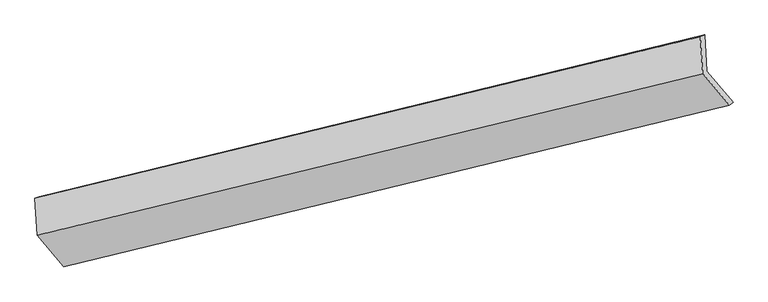
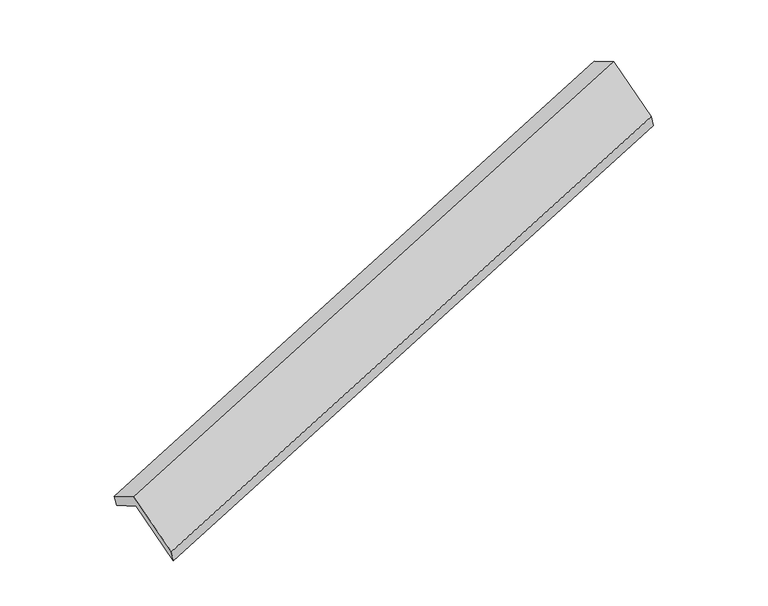
"""IFC4 building model written with IfcOpenShell, lengths in millimetres: proxy geometry."""

import ifcopenshell
import ifcopenshell.guid

model = None  # the IFC model being written
_history = None  # IfcOwnerHistory: only IFC2X3 demands one
_inside = {}  # id of a spatial element -> (the spatial element, [elements in it])
_under = {}  # id of a project, library or spatial element -> (it, [spatial elements below it])
_declared = {}  # id of a project -> (the project, [libraries it declares])
_typed = {}  # id of a type object -> (the type object, [elements of that type])
_made_of = {}  # id of a material, layer set ... -> (it, [elements and type objects made of it])


def new_model(schema):
    """Start an empty IFC model of exactly this schema.

    Asked for "IFC4X3", IfcOpenShell would pick the latest addendum, in which some entities
    have other attributes; the version numbers below select the first issue.
    IFC2X3 requires an IfcOwnerHistory on every rooted entity: one is made here for all.
    """
    global model, _history
    if schema == "IFC4X3":
        model = ifcopenshell.file(schema_version=(4, 3, 0, 0))
    else:
        model = ifcopenshell.file(schema=schema)
    _inside.clear()
    _under.clear()
    _declared.clear()
    _typed.clear()
    _made_of.clear()
    _history = None
    if model.schema == "IFC2X3":
        org = make("IfcOrganization", Name="unknown")
        user = make(
            "IfcPersonAndOrganization",
            ThePerson=make("IfcPerson", FamilyName="unknown"),
            TheOrganization=org,
        )
        app = make(
            "IfcApplication",
            ApplicationDeveloper=org,
            Version="unknown",
            ApplicationFullName="unknown",
            ApplicationIdentifier="unknown",
        )
        _history = make(
            "IfcOwnerHistory",
            OwningUser=user,
            OwningApplication=app,
            ChangeAction="ADDED",
            CreationDate=0,
        )
    return model


def make(cls, **values):
    """One entity of the class cls with the attributes given. An attribute that is None is left unset."""
    return model.create_entity(
        cls, **{name: value for name, value in values.items() if value is not None}
    )


def rooted(cls, **values):
    """An entity with a GlobalId (a new one), such as an element, a storey or a relation."""
    return make(cls, GlobalId=ifcopenshell.guid.new(), OwnerHistory=_history, **values)


def si_unit(unit_type, name, prefix=None):
    """IfcSIUnit, for example si_unit("LENGTHUNIT", "METRE", prefix="MILLI")."""
    return make("IfcSIUnit", UnitType=unit_type, Prefix=prefix, Name=name)


def assignment(units):
    """IfcUnitAssignment: the units of a project."""
    return None if units is None else make("IfcUnitAssignment", Units=units)


def point(xyz):
    """IfcCartesianPoint."""
    return None if xyz is None else make("IfcCartesianPoint", Coordinates=xyz)


def direction(xyz):
    """IfcDirection."""
    return None if xyz is None else make("IfcDirection", DirectionRatios=xyz)


def frame(location, z_axis=None, x_axis=None):
    """IfcAxis2Placement3D, a coordinate frame: its origin and axes. An axis left out is left unset."""
    return make(
        "IfcAxis2Placement3D",
        Location=point(location),
        Axis=direction(z_axis),
        RefDirection=direction(x_axis),
    )


def origin():
    """The frame at (0, 0, 0) with its axes left unset."""
    return frame((0.0, 0.0, 0.0))


def place(relative_to, where):
    """IfcLocalPlacement: puts the frame where relative to a parent placement (None: the world)."""
    return make(
        "IfcLocalPlacement", PlacementRelTo=relative_to, RelativePlacement=where
    )


def context(
    kind, dimensions, precision=None, world=None, true_north=None, identifier=None
):
    """IfcGeometricRepresentationContext, for example the 3D "Model" context."""
    return make(
        "IfcGeometricRepresentationContext",
        ContextIdentifier=identifier,
        ContextType=kind,
        CoordinateSpaceDimension=dimensions,
        Precision=precision,
        WorldCoordinateSystem=world,
        TrueNorth=true_north,
    )


def project(units=None, contexts=None):
    """IfcProject with its units and contexts."""
    return rooted(
        "IfcProject",
        Name="project",
        RepresentationContexts=contexts,
        UnitsInContext=assignment(units),
    )


def spatial(cls, under=None, at=None, **own):
    """A site, building, storey or space (cls), placed at a placement, below another one or the project."""
    s = rooted(cls, ObjectPlacement=at, **own)
    if under is not None:
        _under.setdefault(under.id(), (under, []))[1].append(s)
    return s


def faces_of(points, faces, orient=None, outer=None):
    """IfcFace entities. A face is a list of loops; a loop is a list of indices into points, from 0.

    orient and outer hold one flag for each loop. By default every Orientation is true, the
    first loop of a face is its IfcFaceOuterBound and the others are IfcFaceBound.
    """
    made = []
    for i, loops in enumerate(faces):
        bounds = []
        for j, loop in enumerate(loops):
            is_outer = j == 0 if outer is None else outer[i][j]
            bounds.append(
                make(
                    "IfcFaceOuterBound" if is_outer else "IfcFaceBound",
                    Bound=make("IfcPolyLoop", Polygon=[points[k] for k in loop]),
                    Orientation=True if orient is None else orient[i][j],
                )
            )
        made.append(make("IfcFace", Bounds=bounds))
    return made


def faceted_brep(points, faces, orient=None, outer=None, voids=None):
    """IfcFacetedBrep: a solid bounded by flat faces; with voids (closed shells), ...WithVoids."""
    shared = [point(p) for p in points]
    hull = make("IfcClosedShell", CfsFaces=faces_of(shared, faces, orient, outer))
    if voids is None:
        return make("IfcFacetedBrep", Outer=hull)
    return make(
        "IfcFacetedBrepWithVoids",
        Outer=hull,
        Voids=[
            make(cls, CfsFaces=faces_of(shared, fs, o, b)) for cls, fs, o, b in voids
        ],
    )


def shape(context_of_items, identifier, shape_type, items):
    """IfcShapeRepresentation: the items that make up one representation, for example the "Body"."""
    return make(
        "IfcShapeRepresentation",
        ContextOfItems=context_of_items,
        RepresentationIdentifier=identifier,
        RepresentationType=shape_type,
        Items=items,
    )


def source(mapping_origin, context_of_items, identifier, shape_type, items):
    """IfcRepresentationMap: a shape defined once, which mapped items show again and again."""
    return make(
        "IfcRepresentationMap",
        MappingOrigin=mapping_origin,
        MappedRepresentation=shape(context_of_items, identifier, shape_type, items),
    )


def transform(
    local_origin,
    x_axis=None,
    y_axis=None,
    z_axis=None,
    scale=None,
    scale2=None,
    scale3=None,
    uniform=True,
):
    """IfcCartesianTransformationOperator3D, or its non-uniform kind. x_axis, y_axis, z_axis: its Axis1, 2, 3."""
    if uniform:
        return make(
            "IfcCartesianTransformationOperator3D",
            Axis1=direction(x_axis),
            Axis2=direction(y_axis),
            LocalOrigin=point(local_origin),
            Scale=scale,
            Axis3=direction(z_axis),
        )
    return make(
        "IfcCartesianTransformationOperator3DnonUniform",
        Axis1=direction(x_axis),
        Axis2=direction(y_axis),
        LocalOrigin=point(local_origin),
        Scale=scale,
        Axis3=direction(z_axis),
        Scale2=scale2,
        Scale3=scale3,
    )


def mapped(mapping_source, mapping_target):
    """IfcMappedItem: shows the shape of a source again, moved by a transform."""
    return make(
        "IfcMappedItem", MappingSource=mapping_source, MappingTarget=mapping_target
    )


def made_of(thing, what):
    """Note that an element or type object is made of a material, layer set ...; save() writes the relation."""
    if what is not None:
        _made_of.setdefault(what.id(), (what, []))[1].append(thing)
    return thing


def element(
    cls,
    number,
    at=None,
    inside=None,
    cuts=None,
    type_object=None,
    material=None,
    context=None,
    identifier="Body",
    shape_type=None,
    held_by="IfcProductDefinitionShape",
    body=None,
    shapes=None,
    **own,
):
    """One element of the class cls, such as IfcWall. Its Tag is "e" and its number.

    at: its placement. inside: the storey or other place that contains it. cuts: it is an
    opening in that element (IfcRelVoidsElement). A single representation is given by context,
    identifier, shape_type and body (its items); several are given by shapes. held_by: the class
    of the entity that holds the representations. save() writes the other relations.
    """
    e = rooted(cls, Tag="e%d" % number, ObjectPlacement=at, **own)
    if body is not None:
        shapes = [shape(context, identifier, shape_type, body)]
    if shapes is not None:
        e.Representation = make(held_by, Representations=shapes)
    if inside is not None:
        _inside.setdefault(inside.id(), (inside, []))[1].append(e)
    if cuts is not None:
        rooted(
            "IfcRelVoidsElement", RelatingBuildingElement=cuts, RelatedOpeningElement=e
        )
    if type_object is not None:
        _typed.setdefault(type_object.id(), (type_object, []))[1].append(e)
    return made_of(e, material)


def aggregate(whole, parts):
    """IfcRelAggregates: a whole, such as a stair, and the parts it consists of."""
    return rooted("IfcRelAggregates", RelatingObject=whole, RelatedObjects=parts)


def save(model, path):
    """Write the relations noted so far, then the file.

    IfcRelAggregates (storeys below a building ...), IfcRelContainedInSpatialStructure (elements
    in a storey), IfcRelDefinesByType, IfcRelAssociatesMaterial and IfcRelDeclares: one each for
    every whole, place, type object, material and project.
    """
    for whole, parts in _under.values():
        aggregate(whole, parts)
    for where, things in _inside.values():
        rooted(
            "IfcRelContainedInSpatialStructure",
            RelatedElements=things,
            RelatingStructure=where,
        )
    for kind, things in _typed.values():
        rooted("IfcRelDefinesByType", RelatedObjects=things, RelatingType=kind)
    for what, things in _made_of.values():
        rooted("IfcRelAssociatesMaterial", RelatedObjects=things, RelatingMaterial=what)
    for by, libraries in _declared.values():
        rooted("IfcRelDeclares", RelatingContext=by, RelatedDefinitions=libraries)
    model.write(path)


def generic_models_ef5f855f(model_context):
    return source(origin(), model_context, "Body", "Brep", [
        faceted_brep([(-6063.3590792, -2274.6055133, 1080.2117289), (-6084.4887745, -1932.7104899, 888.7769254), (206.4724793, -403.8535218, 2945.3862363), (227.6021746, -745.7485452, 3136.8210397), (-6123.4221716, -1949.7650952, 1023.5001881), (167.5390822, -420.9081271, 3080.109499), (-6101.9257296, -2297.594368, 1218.2577129), (189.0355242, -768.7373999, 3274.8670237), (-5851.4954445, -2595.4231568, 658.7058739), (439.4658093, -1066.5661887, 2715.3151847), (-5814.308143, -2570.7938863, 523.7418542), (476.6531108, -1041.9369182, 2580.351165)], [[[0, 1, 2, 3]], [[1, 4, 5, 2]], [[4, 6, 7, 5]], [[6, 8, 9, 7]], [[8, 10, 11, 9]], [[10, 0, 3, 11]], [[9, 11, 3, 2, 5, 7]], [[0, 10, 8, 6, 4, 1]]]),
    ])


if __name__ == "__main__":
    model = new_model("IFC4")
    model_context = context("Model", 3, world=origin())
    ifc_project = project(units=[si_unit("LENGTHUNIT", "METRE", prefix="MILLI")], contexts=[model_context])
    site = spatial("IfcSite", under=ifc_project)
    building = spatial("IfcBuilding", under=site)
    placement = place(None, origin())
    generic_models_shape = generic_models_ef5f855f(model_context)
    element("IfcBuildingElementProxy", 1, Name="Generic Models", at=placement, inside=building, context=model_context, shape_type="MappedRepresentation", body=[
        mapped(generic_models_shape, transform((0.0, 0.0, 0.0), x_axis=(1.0, 0.0, 0.0), y_axis=(0.0, 1.0, 0.0), z_axis=(0.0, 0.0, 1.0))),
    ])
    save(model, "model.ifc")
